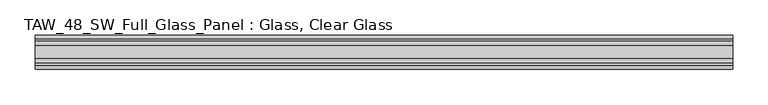
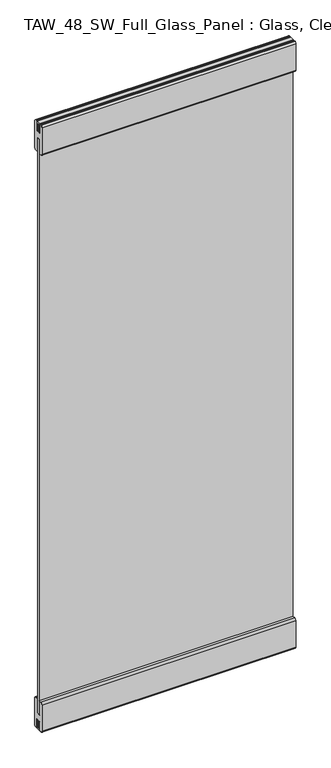
"""IFC4 building model written with IfcOpenShell, lengths in millimetres: plate geometry, TAW_48_SW_Full_Glass_Panel : Glass, Clear Glass."""

from ifc_helpers import new_model, si_unit, point, frame, frame_2d, origin, place, context, project, spatial, polyline, circle_curve, trimmed, segment, composite_curve, outline, extrude, source, transform, mapped, element, save


def taw_48_sw_full_glass_panel_glass_clear_glass_c47b89ba(model_context):
    return source(origin(), model_context, "Body", "SweptSolid", [
        extrude(outline(polyline([(494.9776606, 5.0), (494.9776606, -5.0), (-494.9776606, -5.0), (-494.9776606, 5.0), (494.9776606, 5.0)])), frame((0.0, 0.0, 65.5028724), z_axis=(0.0, 0.0, 1.0), x_axis=(1.0, 0.0, 0.0)), (0.0, 0.0, 1.0), 2369.1638255),
        extrude(outline(composite_curve([segment(polyline([(6.0, 123.0), (16.7, 123.0)]), True, "CONTINUOUS"), segment(trimmed(circle_curve(frame_2d((16.7, 115.7)), 7.3), [point((16.7, 123.0))], [point((24.0, 115.7))], False, "CARTESIAN"), True, "CONTINUOUS"), segment(polyline([(24.0, 115.7), (24.0, 7.2006944)]), True, "CONTINUOUS"), segment(trimmed(circle_curve(frame_2d((16.7, 7.2006944)), 7.3), [point((24.0, 7.2006944))], [point((17.9, 0.0))], False, "CARTESIAN"), True, "CONTINUOUS"), segment(polyline([(17.9, 0.0), (15.5529859, 0.0), (15.5529859, 2.1027745), (10.0, 2.1027745), (10.0, 38.0), (-10.0, 38.0), (-10.0, 2.1027745), (-15.0493747, 2.1027745), (-15.0493747, 0.0), (-18.4598098, 0.0)]), True, "CONTINUOUS"), segment(trimmed(circle_curve(frame_2d((-16.55, 7.2010504)), 7.45), [point((-18.4598098, 0.0))], [point((-24.0, 7.2010504))], False, "CARTESIAN"), True, "CONTINUOUS"), segment(polyline([(-24.0, 7.2010504), (-24.0, 115.55)]), True, "CONTINUOUS"), segment(trimmed(circle_curve(frame_2d((-16.55, 115.55)), 7.45), [point((-24.0, 115.55))], [point((-16.55, 123.0))], False, "CARTESIAN"), True, "CONTINUOUS"), segment(polyline([(-16.55, 123.0), (-6.0, 123.0), (-6.0, 121.4010504), (-9.5, 121.4010504), (-9.5, 65.5028724), (9.5, 65.5028724), (9.5, 121.2506944), (6.0, 121.2506944), (6.0, 123.0)]), True, "CONTINUOUS")], self_intersect=False)), frame((-494.9776606, 0.0, 0.0), z_axis=(1.0, 0.0, 0.0), x_axis=(0.0, 1.0, 0.0)), (0.0, 0.0, 1.0), 989.9553211),
        extrude(outline(polyline([(9.0, 2500.0), (9.0, 2461.2139286), (5.0, 2461.2139286), (5.0, 2496.0), (-5.0, 2496.0), (-5.0, 2461.2139286), (-9.0, 2461.2139286), (-9.0, 2500.0), (9.0, 2500.0)])), frame((-494.9776606, 0.0, 0.0), z_axis=(1.0, 0.0, 0.0), x_axis=(0.0, 1.0, 0.0)), (0.0, 0.0, 1.0), 989.9553211),
        extrude(outline(polyline([(-9.0, 0.0), (-9.0, 38.0), (-5.0, 38.0), (-5.0, 4.0), (5.0, 4.0), (5.0, 38.0), (9.0, 38.0), (9.0, 0.0), (-9.0, 0.0)])), frame((-494.9776606, 0.0, 0.0), z_axis=(1.0, 0.0, 0.0), x_axis=(0.0, 1.0, 0.0)), (0.0, 0.0, 1.0), 989.9553211),
        extrude(outline(composite_curve([segment(polyline([(-6.0, 2377.0), (-16.7, 2377.0)]), True, "CONTINUOUS"), segment(trimmed(circle_curve(frame_2d((-16.7, 2384.3)), 7.3), [point((-16.7, 2377.0))], [point((-24.0, 2384.3))], False, "CARTESIAN"), True, "CONTINUOUS"), segment(polyline([(-24.0, 2384.3), (-24.0, 2492.9688758)]), True, "CONTINUOUS"), segment(trimmed(circle_curve(frame_2d((-16.7, 2492.9688758)), 7.3), [point((-24.0, 2492.9688758))], [point((-18.6629804, 2500.0))], False, "CARTESIAN"), True, "CONTINUOUS"), segment(polyline([(-18.6629804, 2500.0), (-16.0197946, 2500.0), (-16.0197946, 2498.0667957), (-9.5, 2498.0667957), (-9.5, 2461.0667957), (9.5, 2461.0667957), (9.5, 2498.0667957), (16.0197946, 2498.0667957), (16.0197946, 2500.0), (18.6629804, 2500.0)]), True, "CONTINUOUS"), segment(trimmed(circle_curve(frame_2d((16.7, 2492.9688758)), 7.3), [point((18.6629804, 2500.0))], [point((24.0, 2492.9688758))], False, "CARTESIAN"), True, "CONTINUOUS"), segment(polyline([(24.0, 2492.9688758), (24.0, 2384.3)]), True, "CONTINUOUS"), segment(trimmed(circle_curve(frame_2d((16.7, 2384.3)), 7.3), [point((24.0, 2384.3))], [point((16.7, 2377.0))], False, "CARTESIAN"), True, "CONTINUOUS"), segment(polyline([(16.7, 2377.0), (6.0, 2377.0), (6.0, 2378.9188758), (9.5, 2378.9188758), (9.5, 2434.6666978), (-9.5, 2434.6666978), (-9.5, 2378.9188758), (-6.0, 2378.9188758), (-6.0, 2377.0)]), True, "CONTINUOUS")], self_intersect=False)), frame((-494.9776606, 0.0, 0.0), z_axis=(1.0, 0.0, 0.0), x_axis=(0.0, 1.0, 0.0)), (0.0, 0.0, 1.0), 989.9553211),
    ])


if __name__ == "__main__":
    model = new_model("IFC4")
    model_context = context("Model", 3, world=origin())
    ifc_project = project(units=[si_unit("LENGTHUNIT", "METRE", prefix="MILLI")], contexts=[model_context])
    site = spatial("IfcSite", under=ifc_project)
    building = spatial("IfcBuilding", under=site)
    placement = place(None, origin())
    taw_48_sw_full_glass_panel_glass_clear_glass_shape = taw_48_sw_full_glass_panel_glass_clear_glass_c47b89ba(model_context)
    element("IfcPlate", 1, ObjectType="TAW_48_SW_Full_Glass_Panel : Glass, Clear Glass", at=placement, inside=building, context=model_context, shape_type="MappedRepresentation", body=[
        mapped(taw_48_sw_full_glass_panel_glass_clear_glass_shape, transform((0.0, 0.0, 0.0), x_axis=(1.0, 0.0, 0.0), y_axis=(0.0, 1.0, 0.0), z_axis=(0.0, 0.0, 1.0))),
    ])
    save(model, "model.ifc")
